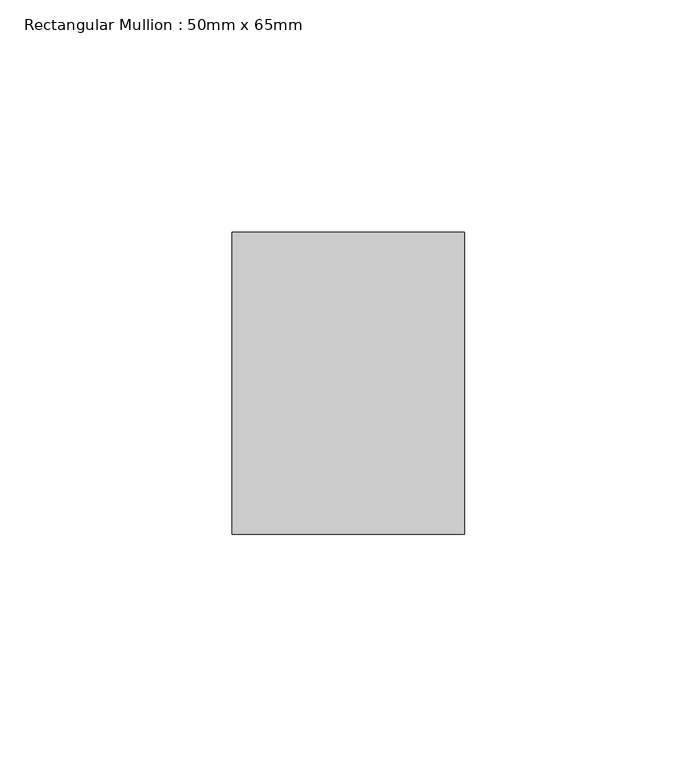
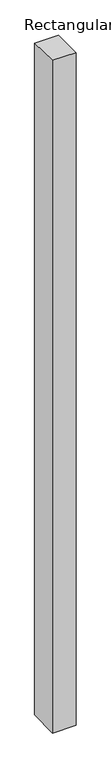
"""IFC4 building model written with IfcOpenShell, lengths in millimetres: member geometry, Rectangular Mullion : 50mm x 65mm."""

from ifc_helpers import new_model, si_unit, origin, place, context, project, spatial, faceted_brep, source, transform, mapped, element, save


def rectangular_mullion_50mm_x_65mm_7f888039(model_context):
    return source(origin(), model_context, "Body", "Brep", [
        faceted_brep([(-25.0, 32.5, -0.5637253), (25.0, 32.5, -0.5637246), (25.0, 32.5, -1499.5040023), (-25.0, 32.5, -1499.5040017), (-25.0, -32.5, 0.5637246), (-25.0, -32.5, -1500.4973581), (25.0, -32.5, 0.5637253), (25.0, -32.5, -1500.4973587)], [[[0, 1, 2, 3]], [[4, 0, 3, 5]], [[6, 4, 5, 7]], [[1, 6, 7, 2]], [[1, 0, 4, 6]], [[2, 7, 5, 3]]]),
    ])


if __name__ == "__main__":
    model = new_model("IFC4")
    model_context = context("Model", 3, world=origin())
    ifc_project = project(units=[si_unit("LENGTHUNIT", "METRE", prefix="MILLI")], contexts=[model_context])
    site = spatial("IfcSite", under=ifc_project)
    building = spatial("IfcBuilding", under=site)
    placement = place(None, origin())
    rectangular_mullion_50mm_x_65mm_shape = rectangular_mullion_50mm_x_65mm_7f888039(model_context)
    element("IfcMember", 1, ObjectType="Rectangular Mullion : 50mm x 65mm", at=placement, inside=building, context=model_context, shape_type="MappedRepresentation", body=[
        mapped(rectangular_mullion_50mm_x_65mm_shape, transform((0.0, 0.0, 0.0), x_axis=(1.0, 0.0, 0.0), y_axis=(0.0, 1.0, 0.0), z_axis=(0.0, 0.0, 1.0))),
    ])
    save(model, "model.ifc")
